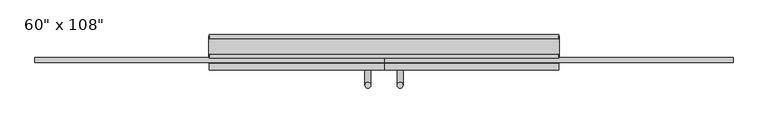
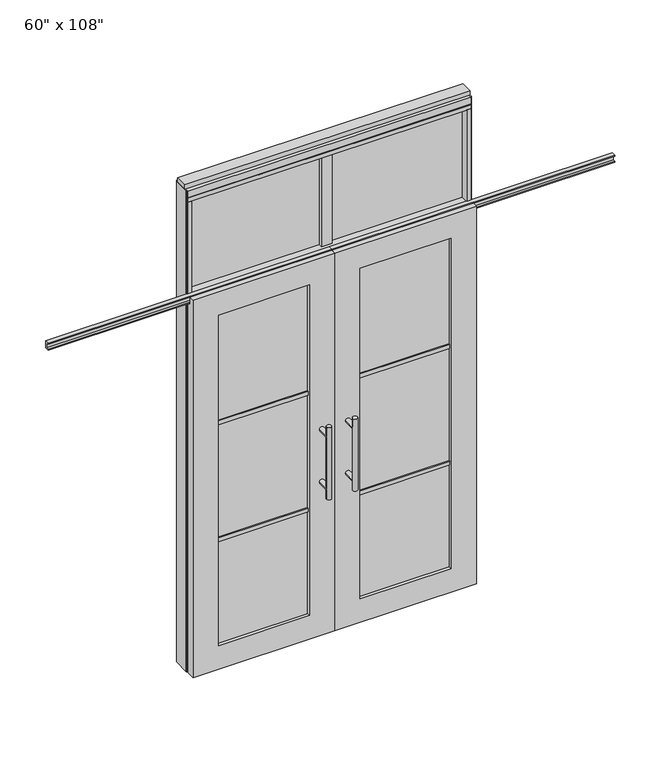
"""IFC4 building model written with IfcOpenShell, lengths in millimetres: furniture geometry."""

from ifc_helpers import new_model, si_unit, frame, origin, origin_with_axes, place, context, project, spatial, polyline, circle_curve, ellipse_curve, outline, extrude, faceted_brep, source, transform, mapped, element, save
from ifc_brep_helpers import plane_surface, cylinder_surface, advanced_brep


def furniture_9c21ee4a(model_context):
    return source(origin(), model_context, "Body", "SolidModel", [
        advanced_brep(
        [(-117.3135229, 5.8962784, 1219.2), (-142.7135229, 5.8962784, 1219.2), (-117.3135229, 5.8962784, 812.8), (-142.7135229, 5.8962784, 812.8), (-117.3135229, 5.8962784, 1164.336), (-117.3135229, 5.8962784, 867.664), (-142.7135229, 5.8962784, 867.664), (-142.7135229, 5.8962784, 1164.336), (-117.3135229, -61.6677216, 1164.336), (-142.7135229, -61.6677216, 1164.336), (-117.3135229, -61.6677216, 867.664), (-142.7135229, -61.6677216, 867.664)],
        [
            (0, 1, circle_curve(frame((-130.0135229, 5.8962784, 1219.2), z_axis=(0.0, 0.0, 1.0), x_axis=(-1.0, 0.0, 0.0)), 12.7)),
            (1, 0, circle_curve(frame((-130.0135229, 5.8962784, 1219.2), z_axis=(0.0, 0.0, 1.0), x_axis=(-1.0, 0.0, 0.0)), 12.7)),
            (2, 3, circle_curve(frame((-130.0135229, 5.8962784, 812.8), z_axis=(0.0, 0.0, -1.0), x_axis=(-1.0, 0.0, 0.0)), 12.7)),
            (3, 2, circle_curve(frame((-130.0135229, 5.8962784, 812.8), z_axis=(0.0, 0.0, -1.0), x_axis=(-1.0, 0.0, 0.0)), 12.7)),
            (0, 4),
            (4, 5),
            (5, 2),
            (3, 6),
            (6, 7),
            (7, 1),
            (7, 4, ellipse_curve(frame((-130.0135229, 5.8962784, 1164.336), z_axis=(0.0, 0.707106781186565, 0.70710678118653), x_axis=(0.0, -0.70710678118653, 0.707106781186565)), 17.9605122, 12.7)),
            (5, 6, ellipse_curve(frame((-130.0135229, 5.8962784, 867.664), z_axis=(0.0, 0.70710678118653, -0.7071067811865649), x_axis=(0.0, 0.7071067811865648, 0.7071067811865301)), 17.9605122, 12.7)),
            (4, 7, ellipse_curve(frame((-130.0135229, 5.8962784, 1164.336), z_axis=(0.0, 0.70710678118653, -0.7071067811865649), x_axis=(0.0, 0.7071067811865648, 0.7071067811865301)), 17.9605122, 12.7)),
            (6, 5, ellipse_curve(frame((-130.0135229, 5.8962784, 867.664), z_axis=(0.0, 0.707106781186565, 0.70710678118653), x_axis=(0.0, -0.70710678118653, 0.707106781186565)), 17.9605122, 12.7)),
            (8, 9, circle_curve(frame((-130.0135229, -61.6677216, 1164.336), z_axis=(0.0, -1.0, 0.0), x_axis=(-1.0, 0.0, 0.0)), 12.7)),
            (9, 8, circle_curve(frame((-130.0135229, -61.6677216, 1164.336), z_axis=(0.0, -1.0, 0.0), x_axis=(-1.0, 0.0, 0.0)), 12.7)),
            (9, 7),
            (4, 8),
            (10, 11, circle_curve(frame((-130.0135229, -61.6677216, 867.664), z_axis=(0.0, -1.0, 0.0), x_axis=(-1.0, 0.0, 0.0)), 12.7)),
            (11, 10, circle_curve(frame((-130.0135229, -61.6677216, 867.664), z_axis=(0.0, -1.0, 0.0), x_axis=(-1.0, 0.0, 0.0)), 12.7)),
            (11, 6),
            (5, 10),
        ],
        [
            plane_surface(frame((-142.7135229, 5.8962784, 1219.2), z_axis=(0.0, 0.0, 1.0), x_axis=(0.0, -1.0, 0.0))),
            plane_surface(frame((-142.7135229, 5.8962784, 812.8), z_axis=(0.0, 0.0, -1.0), x_axis=(0.0, 1.0, 0.0))),
            cylinder_surface(frame((-130.0135229, 5.8962784, 812.8), z_axis=(0.0, 0.0, 1.0), x_axis=(-1.0, 0.0, 0.0)), 12.7),
            plane_surface(frame((-142.7135229, -61.6677216, 1164.336), z_axis=(0.0, -1.0, 0.0), x_axis=(0.0, 0.0, -1.0))),
            cylinder_surface(frame((-130.0135229, -61.6677216, 1164.336), z_axis=(0.0, 1.0, 0.0), x_axis=(-1.0, 0.0, 0.0)), 12.7),
            plane_surface(frame((-142.7135229, -61.6677216, 867.664), z_axis=(0.0, -1.0, 0.0), x_axis=(0.0, 0.0, -1.0))),
            cylinder_surface(frame((-130.0135229, -61.6677216, 867.664), z_axis=(0.0, 1.0, 0.0), x_axis=(-1.0, 0.0, 0.0)), 12.7),
        ],
        [
            (0, [[1, 2]]),
            (1, [[3, 4]]),
            (2, [[-1, 5, 6, 7, -4, 8, 9, 10]]),
            (2, [[-2, -10, 11, -5]]),
            (2, [[-3, -7, 12, -8]]),
            (2, [[13, -9, 14, -6]]),
            (3, [[15, 16]]),
            (4, [[-16, 17, -13, 18]]),
            (4, [[-15, -18, -11, -17]]),
            (5, [[19, 20]]),
            (6, [[-20, 21, -12, 22]]),
            (6, [[-19, -22, -14, -21]]),
        ],
    ),
        advanced_brep(
        [(-117.3135229, -173.6817216, 1219.2), (-142.7135229, -173.6817216, 1219.2), (-117.3135229, -173.6817216, 812.8), (-142.7135229, -173.6817216, 812.8), (-142.7135229, -173.6817216, 1164.336), (-142.7135229, -173.6817216, 867.664), (-117.3135229, -173.6817216, 867.664), (-117.3135229, -173.6817216, 1164.336), (-117.3135229, -106.1177216, 1164.336), (-142.7135229, -106.1177216, 1164.336), (-117.3135229, -106.1177216, 867.664), (-142.7135229, -106.1177216, 867.664)],
        [
            (0, 1, circle_curve(frame((-130.0135229, -173.6817216, 1219.2), z_axis=(0.0, 0.0, 1.0), x_axis=(-1.0, 0.0, 0.0)), 12.7)),
            (1, 0, circle_curve(frame((-130.0135229, -173.6817216, 1219.2), z_axis=(0.0, 0.0, 1.0), x_axis=(-1.0, 0.0, 0.0)), 12.7)),
            (2, 3, circle_curve(frame((-130.0135229, -173.6817216, 812.8), z_axis=(0.0, 0.0, -1.0), x_axis=(-1.0, 0.0, 0.0)), 12.7)),
            (3, 2, circle_curve(frame((-130.0135229, -173.6817216, 812.8), z_axis=(0.0, 0.0, -1.0), x_axis=(-1.0, 0.0, 0.0)), 12.7)),
            (1, 4),
            (4, 5),
            (5, 3),
            (2, 6),
            (6, 7),
            (7, 0),
            (6, 5, ellipse_curve(frame((-130.0135229, -173.6817216, 867.664), z_axis=(0.0, -0.707106781186565, 0.70710678118653), x_axis=(0.0, 0.70710678118653, 0.707106781186565)), 17.9605122, 12.7)),
            (4, 7, ellipse_curve(frame((-130.0135229, -173.6817216, 1164.336), z_axis=(0.0, -0.70710678118653, -0.7071067811865649), x_axis=(0.0, -0.7071067811865648, 0.7071067811865301)), 17.9605122, 12.7)),
            (7, 4, ellipse_curve(frame((-130.0135229, -173.6817216, 1164.336), z_axis=(0.0, -0.707106781186565, 0.70710678118653), x_axis=(0.0, 0.70710678118653, 0.707106781186565)), 17.9605122, 12.7)),
            (5, 6, ellipse_curve(frame((-130.0135229, -173.6817216, 867.664), z_axis=(0.0, -0.70710678118653, -0.7071067811865649), x_axis=(0.0, -0.7071067811865648, 0.7071067811865301)), 17.9605122, 12.7)),
            (8, 9, circle_curve(frame((-130.0135229, -106.1177216, 1164.336), z_axis=(0.0, 1.0, 0.0), x_axis=(-1.0, 0.0, 0.0)), 12.7)),
            (9, 8, circle_curve(frame((-130.0135229, -106.1177216, 1164.336), z_axis=(0.0, 1.0, 0.0), x_axis=(-1.0, 0.0, 0.0)), 12.7)),
            (8, 7),
            (4, 9),
            (10, 11, circle_curve(frame((-130.0135229, -106.1177216, 867.664), z_axis=(0.0, 1.0, 0.0), x_axis=(-1.0, 0.0, 0.0)), 12.7)),
            (11, 10, circle_curve(frame((-130.0135229, -106.1177216, 867.664), z_axis=(0.0, 1.0, 0.0), x_axis=(-1.0, 0.0, 0.0)), 12.7)),
            (10, 6),
            (5, 11),
        ],
        [
            plane_surface(frame((-142.7135229, -173.6817216, 1219.2), z_axis=(0.0, 0.0, 1.0), x_axis=(0.0, 1.0, 0.0))),
            plane_surface(frame((-142.7135229, -173.6817216, 812.8), z_axis=(0.0, 0.0, -1.0), x_axis=(0.0, -1.0, 0.0))),
            cylinder_surface(frame((-130.0135229, -173.6817216, 812.8), z_axis=(0.0, 0.0, 1.0), x_axis=(-1.0, 0.0, 0.0)), 12.7),
            plane_surface(frame((-142.7135229, -106.1177216, 1164.336), z_axis=(0.0, 1.0, 0.0), x_axis=(0.0, 0.0, -1.0))),
            cylinder_surface(frame((-130.0135229, -106.1177216, 1164.336), z_axis=(0.0, -1.0, 0.0), x_axis=(-1.0, 0.0, 0.0)), 12.7),
            plane_surface(frame((-142.7135229, -106.1177216, 867.664), z_axis=(0.0, 1.0, 0.0), x_axis=(0.0, 0.0, -1.0))),
            cylinder_surface(frame((-130.0135229, -106.1177216, 867.664), z_axis=(0.0, -1.0, 0.0), x_axis=(-1.0, 0.0, 0.0)), 12.7),
        ],
        [
            (0, [[1, 2]]),
            (1, [[3, 4]]),
            (2, [[5, 6, 7, -3, 8, 9, 10, -2]]),
            (2, [[-9, 11, -6, 12]]),
            (2, [[-10, 13, -5, -1]]),
            (2, [[-7, 14, -8, -4]]),
            (3, [[15, 16]]),
            (4, [[17, -12, 18, -15]]),
            (4, [[-18, -13, -17, -16]]),
            (5, [[19, 20]]),
            (6, [[21, -14, 22, -19]]),
            (6, [[-22, -11, -21, -20]]),
        ],
    ),
        extrude(outline(polyline([(-196.0535229, -95.0052216), (-682.0825229, -95.0052216), (-682.0825229, -72.7802216), (-196.0535229, -72.7802216), (-196.0535229, -95.0052216)])), frame((0.0, 0.0, 1371.6), z_axis=(0.0, 0.0, 1.0), x_axis=(1.0, 0.0, 0.0)), (0.0, 0.0, 1.0), 22.225),
        extrude(outline(polyline([(-196.0535229, -95.0052216), (-682.0825229, -95.0052216), (-682.0825229, -72.7802216), (-196.0535229, -72.7802216), (-196.0535229, -95.0052216)])), frame((0.0, 0.0, 711.2), z_axis=(0.0, 0.0, 1.0), x_axis=(1.0, 0.0, 0.0)), (0.0, 0.0, 1.0), 22.225),
        extrude(outline(polyline([(-682.0825229, -88.9727216), (-682.0825229, -78.8127216), (-196.0535229, -78.8127216), (-196.0535229, -88.9727216), (-682.0825229, -88.9727216)])), frame((0.0, 0.0, 132.969), z_axis=(0.0, 0.0, 1.0), x_axis=(1.0, 0.0, 0.0)), (0.0, 0.0, 1.0), 1867.662),
        extrude(outline(polyline([(-75.3837216, 2097.278), (-75.3837216, 2102.612), (-62.6837216, 2102.612), (-62.6837216, 2131.568), (-75.3837216, 2131.568), (-75.3837216, 2136.902), (-53.6667216, 2136.902), (-53.6667216, 2097.278), (-75.3837216, 2097.278)])), frame((-1576.1625229, 0.0, 0.0), z_axis=(1.0, 0.0, 0.0), x_axis=(0.0, 1.0, 0.0)), (0.0, 0.0, 1.0), 1516.126),
        faceted_brep([(-60.0365229, -106.1177216, 0.0), (-60.0365229, -106.1177216, 2133.6), (-818.0995229, -106.1177216, 2133.6), (-818.0995229, -106.1177216, 0.0), (-682.0825229, -106.1177216, 2000.631), (-196.0535229, -106.1177216, 2000.631), (-196.0535229, -106.1177216, 132.969), (-682.0825229, -106.1177216, 132.969), (-60.0365229, -78.6857216, 2133.6), (-60.0365229, -78.6857216, 2089.023), (-818.0995229, -78.6857216, 2089.023), (-818.0995229, -78.6857216, 2133.6), (-60.0365229, -61.6677216, 0.0), (-60.0365229, -61.6677216, 2089.023), (-818.0995229, -61.6677216, 2089.023), (-818.0995229, -61.6677216, 0.0), (-682.0825229, -61.6677216, 2000.631), (-682.0825229, -61.6677216, 132.969), (-196.0535229, -61.6677216, 132.969), (-196.0535229, -61.6677216, 2000.631)], [[[0, 1, 2, 3], [4, 5, 6, 7]], [[8, 9, 10, 11]], [[0, 12, 13, 9, 8, 1]], [[2, 11, 10, 14, 15, 3]], [[1, 8, 11, 2]], [[14, 13, 12, 15], [16, 17, 18, 19]], [[14, 10, 9, 13]], [[3, 15, 12, 0]], [[7, 17, 16, 4]], [[6, 18, 17, 7]], [[5, 19, 18, 6]], [[4, 16, 19, 5]]]),
        extrude(outline(polyline([(-31.4615229, -33.0927216), (-88.6115229, -33.0927216), (-88.6115229, 24.0572784), (-31.4615229, 24.0572784), (-31.4615229, -33.0927216)])), frame((0.0, 0.0, 2133.6), z_axis=(0.0, 0.0, 1.0), x_axis=(1.0, 0.0, 0.0)), (0.0, 0.0, 1.0), 520.7),
        extrude(outline(polyline([(675.8014771, -10.8677216), (-795.8745229, -10.8677216), (-795.8745229, 1.8322784), (675.8014771, 1.8322784), (675.8014771, -10.8677216)])), frame((0.0, 0.0, 2133.6), z_axis=(0.0, 0.0, 1.0), x_axis=(1.0, 0.0, 0.0)), (0.0, 0.0, 1.0), 520.7),
        advanced_brep(
        [(-2.7595229, 5.8962784, 1219.2), (22.6404771, 5.8962784, 1219.2), (-2.7595229, 5.8962784, 812.8), (22.6404771, 5.8962784, 812.8), (22.6404771, 5.8962784, 1164.336), (22.6404771, 5.8962784, 867.664), (-2.7595229, 5.8962784, 867.664), (-2.7595229, 5.8962784, 1164.336), (-2.7595229, -61.6677216, 1164.336), (22.6404771, -61.6677216, 1164.336), (-2.7595229, -61.6677216, 867.664), (22.6404771, -61.6677216, 867.664)],
        [
            (0, 1, circle_curve(frame((9.9404771, 5.8962784, 1219.2), z_axis=(0.0, 0.0, 1.0), x_axis=(1.0, 0.0, 0.0)), 12.7)),
            (1, 0, circle_curve(frame((9.9404771, 5.8962784, 1219.2), z_axis=(0.0, 0.0, 1.0), x_axis=(1.0, 0.0, 0.0)), 12.7)),
            (2, 3, circle_curve(frame((9.9404771, 5.8962784, 812.8), z_axis=(0.0, 0.0, -1.0), x_axis=(1.0, 0.0, 0.0)), 12.7)),
            (3, 2, circle_curve(frame((9.9404771, 5.8962784, 812.8), z_axis=(0.0, 0.0, -1.0), x_axis=(1.0, 0.0, 0.0)), 12.7)),
            (1, 4),
            (4, 5),
            (5, 3),
            (2, 6),
            (6, 7),
            (7, 0),
            (6, 5, ellipse_curve(frame((9.9404771, 5.8962784, 867.664), z_axis=(0.0, 0.707106781186565, 0.70710678118653), x_axis=(0.0, -0.70710678118653, 0.707106781186565)), 17.9605122, 12.7)),
            (4, 7, ellipse_curve(frame((9.9404771, 5.8962784, 1164.336), z_axis=(0.0, 0.70710678118653, -0.7071067811865649), x_axis=(0.0, 0.7071067811865648, 0.7071067811865301)), 17.9605122, 12.7)),
            (7, 4, ellipse_curve(frame((9.9404771, 5.8962784, 1164.336), z_axis=(0.0, 0.707106781186565, 0.70710678118653), x_axis=(0.0, -0.70710678118653, 0.707106781186565)), 17.9605122, 12.7)),
            (5, 6, ellipse_curve(frame((9.9404771, 5.8962784, 867.664), z_axis=(0.0, 0.70710678118653, -0.7071067811865649), x_axis=(0.0, 0.7071067811865648, 0.7071067811865301)), 17.9605122, 12.7)),
            (8, 9, circle_curve(frame((9.9404771, -61.6677216, 1164.336), z_axis=(0.0, -1.0, 0.0), x_axis=(1.0, 0.0, 0.0)), 12.7)),
            (9, 8, circle_curve(frame((9.9404771, -61.6677216, 1164.336), z_axis=(0.0, -1.0, 0.0), x_axis=(1.0, 0.0, 0.0)), 12.7)),
            (8, 7),
            (4, 9),
            (10, 11, circle_curve(frame((9.9404771, -61.6677216, 867.664), z_axis=(0.0, -1.0, 0.0), x_axis=(1.0, 0.0, 0.0)), 12.7)),
            (11, 10, circle_curve(frame((9.9404771, -61.6677216, 867.664), z_axis=(0.0, -1.0, 0.0), x_axis=(1.0, 0.0, 0.0)), 12.7)),
            (10, 6),
            (5, 11),
        ],
        [
            plane_surface(frame((22.6404771, 5.8962784, 1219.2), z_axis=(0.0, 0.0, 1.0), x_axis=(0.0, -1.0, 0.0))),
            plane_surface(frame((22.6404771, 5.8962784, 812.8), z_axis=(0.0, 0.0, -1.0), x_axis=(0.0, 1.0, 0.0))),
            cylinder_surface(frame((9.9404771, 5.8962784, 812.8), z_axis=(0.0, 0.0, 1.0), x_axis=(1.0, 0.0, 0.0)), 12.7),
            plane_surface(frame((22.6404771, -61.6677216, 1164.336), z_axis=(0.0, -1.0, 0.0), x_axis=(0.0, 0.0, -1.0))),
            cylinder_surface(frame((9.9404771, -61.6677216, 1164.336), z_axis=(0.0, 1.0, 0.0), x_axis=(1.0, 0.0, 0.0)), 12.7),
            plane_surface(frame((22.6404771, -61.6677216, 867.664), z_axis=(0.0, -1.0, 0.0), x_axis=(0.0, 0.0, -1.0))),
            cylinder_surface(frame((9.9404771, -61.6677216, 867.664), z_axis=(0.0, 1.0, 0.0), x_axis=(1.0, 0.0, 0.0)), 12.7),
        ],
        [
            (0, [[1, 2]]),
            (1, [[3, 4]]),
            (2, [[5, 6, 7, -3, 8, 9, 10, -2]]),
            (2, [[-9, 11, -6, 12]]),
            (2, [[-10, 13, -5, -1]]),
            (2, [[-7, 14, -8, -4]]),
            (3, [[15, 16]]),
            (4, [[17, -12, 18, -15]]),
            (4, [[-18, -13, -17, -16]]),
            (5, [[19, 20]]),
            (6, [[21, -14, 22, -19]]),
            (6, [[-22, -11, -21, -20]]),
        ],
    ),
        advanced_brep(
        [(-2.7595229, -173.6817216, 1219.2), (22.6404771, -173.6817216, 1219.2), (-2.7595229, -173.6817216, 812.8), (22.6404771, -173.6817216, 812.8), (-2.7595229, -173.6817216, 1164.336), (-2.7595229, -173.6817216, 867.664), (22.6404771, -173.6817216, 867.664), (22.6404771, -173.6817216, 1164.336), (-2.7595229, -106.1177216, 1164.336), (22.6404771, -106.1177216, 1164.336), (-2.7595229, -106.1177216, 867.664), (22.6404771, -106.1177216, 867.664)],
        [
            (0, 1, circle_curve(frame((9.9404771, -173.6817216, 1219.2), z_axis=(0.0, 0.0, 1.0), x_axis=(1.0, 0.0, 0.0)), 12.7)),
            (1, 0, circle_curve(frame((9.9404771, -173.6817216, 1219.2), z_axis=(0.0, 0.0, 1.0), x_axis=(1.0, 0.0, 0.0)), 12.7)),
            (2, 3, circle_curve(frame((9.9404771, -173.6817216, 812.8), z_axis=(0.0, 0.0, -1.0), x_axis=(1.0, 0.0, 0.0)), 12.7)),
            (3, 2, circle_curve(frame((9.9404771, -173.6817216, 812.8), z_axis=(0.0, 0.0, -1.0), x_axis=(1.0, 0.0, 0.0)), 12.7)),
            (0, 4),
            (4, 5),
            (5, 2),
            (3, 6),
            (6, 7),
            (7, 1),
            (7, 4, ellipse_curve(frame((9.9404771, -173.6817216, 1164.336), z_axis=(0.0, -0.707106781186565, 0.70710678118653), x_axis=(0.0, 0.70710678118653, 0.707106781186565)), 17.9605122, 12.7)),
            (5, 6, ellipse_curve(frame((9.9404771, -173.6817216, 867.664), z_axis=(0.0, -0.70710678118653, -0.7071067811865649), x_axis=(0.0, -0.7071067811865648, 0.7071067811865301)), 17.9605122, 12.7)),
            (4, 7, ellipse_curve(frame((9.9404771, -173.6817216, 1164.336), z_axis=(0.0, -0.70710678118653, -0.7071067811865649), x_axis=(0.0, -0.7071067811865648, 0.7071067811865301)), 17.9605122, 12.7)),
            (6, 5, ellipse_curve(frame((9.9404771, -173.6817216, 867.664), z_axis=(0.0, -0.707106781186565, 0.70710678118653), x_axis=(0.0, 0.70710678118653, 0.707106781186565)), 17.9605122, 12.7)),
            (8, 9, circle_curve(frame((9.9404771, -106.1177216, 1164.336), z_axis=(0.0, 1.0, 0.0), x_axis=(1.0, 0.0, 0.0)), 12.7)),
            (9, 8, circle_curve(frame((9.9404771, -106.1177216, 1164.336), z_axis=(0.0, 1.0, 0.0), x_axis=(1.0, 0.0, 0.0)), 12.7)),
            (9, 7),
            (4, 8),
            (10, 11, circle_curve(frame((9.9404771, -106.1177216, 867.664), z_axis=(0.0, 1.0, 0.0), x_axis=(1.0, 0.0, 0.0)), 12.7)),
            (11, 10, circle_curve(frame((9.9404771, -106.1177216, 867.664), z_axis=(0.0, 1.0, 0.0), x_axis=(1.0, 0.0, 0.0)), 12.7)),
            (11, 6),
            (5, 10),
        ],
        [
            plane_surface(frame((22.6404771, -173.6817216, 1219.2), z_axis=(0.0, 0.0, 1.0), x_axis=(0.0, 1.0, 0.0))),
            plane_surface(frame((22.6404771, -173.6817216, 812.8), z_axis=(0.0, 0.0, -1.0), x_axis=(0.0, -1.0, 0.0))),
            cylinder_surface(frame((9.9404771, -173.6817216, 812.8), z_axis=(0.0, 0.0, 1.0), x_axis=(1.0, 0.0, 0.0)), 12.7),
            plane_surface(frame((22.6404771, -106.1177216, 1164.336), z_axis=(0.0, 1.0, 0.0), x_axis=(0.0, 0.0, -1.0))),
            cylinder_surface(frame((9.9404771, -106.1177216, 1164.336), z_axis=(0.0, -1.0, 0.0), x_axis=(1.0, 0.0, 0.0)), 12.7),
            plane_surface(frame((22.6404771, -106.1177216, 867.664), z_axis=(0.0, 1.0, 0.0), x_axis=(0.0, 0.0, -1.0))),
            cylinder_surface(frame((9.9404771, -106.1177216, 867.664), z_axis=(0.0, -1.0, 0.0), x_axis=(1.0, 0.0, 0.0)), 12.7),
        ],
        [
            (0, [[1, 2]]),
            (1, [[3, 4]]),
            (2, [[-1, 5, 6, 7, -4, 8, 9, 10]]),
            (2, [[-2, -10, 11, -5]]),
            (2, [[-3, -7, 12, -8]]),
            (2, [[13, -9, 14, -6]]),
            (3, [[15, 16]]),
            (4, [[-16, 17, -13, 18]]),
            (4, [[-15, -18, -11, -17]]),
            (5, [[19, 20]]),
            (6, [[-20, 21, -12, 22]]),
            (6, [[-19, -22, -14, -21]]),
        ],
    ),
        extrude(outline(polyline([(75.9804771, -95.0052216), (75.9804771, -72.7802216), (562.0094771, -72.7802216), (562.0094771, -95.0052216), (75.9804771, -95.0052216)])), frame((0.0, 0.0, 1371.6), z_axis=(0.0, 0.0, 1.0), x_axis=(1.0, 0.0, 0.0)), (0.0, 0.0, 1.0), 22.225),
        extrude(outline(polyline([(75.9804771, -95.0052216), (75.9804771, -72.7802216), (562.0094771, -72.7802216), (562.0094771, -95.0052216), (75.9804771, -95.0052216)])), frame((0.0, 0.0, 711.2), z_axis=(0.0, 0.0, 1.0), x_axis=(1.0, 0.0, 0.0)), (0.0, 0.0, 1.0), 22.225),
        extrude(outline(polyline([(562.0094771, -88.9727216), (75.9804771, -88.9727216), (75.9804771, -78.8127216), (562.0094771, -78.8127216), (562.0094771, -88.9727216)])), frame((0.0, 0.0, 132.969), z_axis=(0.0, 0.0, 1.0), x_axis=(1.0, 0.0, 0.0)), (0.0, 0.0, 1.0), 1867.662),
        extrude(outline(polyline([(-75.3837216, 2097.278), (-75.3837216, 2102.612), (-62.6837216, 2102.612), (-62.6837216, 2131.568), (-75.3837216, 2131.568), (-75.3837216, 2136.902), (-53.6667216, 2136.902), (-53.6667216, 2097.278), (-75.3837216, 2097.278)])), frame((-60.0365229, 0.0, 0.0), z_axis=(1.0, 0.0, 0.0), x_axis=(0.0, 1.0, 0.0)), (0.0, 0.0, 1.0), 1516.126),
        faceted_brep([(-60.0365229, -106.1177216, 0.0), (698.0264771, -106.1177216, 0.0), (698.0264771, -106.1177216, 2133.6), (-60.0365229, -106.1177216, 2133.6), (562.0094771, -106.1177216, 2000.631), (562.0094771, -106.1177216, 132.969), (75.9804771, -106.1177216, 132.969), (75.9804771, -106.1177216, 2000.631), (-60.0365229, -78.6857216, 2133.6), (698.0264771, -78.6857216, 2133.6), (698.0264771, -78.6857216, 2089.023), (-60.0365229, -78.6857216, 2089.023), (-60.0365229, -61.6677216, 2089.023), (-60.0365229, -61.6677216, 0.0), (698.0264771, -61.6677216, 0.0), (698.0264771, -61.6677216, 2089.023), (562.0094771, -61.6677216, 2000.631), (75.9804771, -61.6677216, 2000.631), (75.9804771, -61.6677216, 132.969), (562.0094771, -61.6677216, 132.969)], [[[0, 1, 2, 3], [4, 5, 6, 7]], [[8, 9, 10, 11]], [[0, 3, 8, 11, 12, 13]], [[2, 1, 14, 15, 10, 9]], [[3, 2, 9, 8]], [[15, 14, 13, 12], [16, 17, 18, 19]], [[15, 12, 11, 10]], [[1, 0, 13, 14]], [[5, 4, 16, 19]], [[6, 5, 19, 18]], [[7, 6, 18, 17]], [[4, 7, 17, 16]]]),
        extrude(outline(polyline([(-795.8745229, -55.3177216), (-818.0995229, -55.3177216), (-818.0995229, 46.2822784), (-795.8745229, 46.2822784), (-795.8745229, -55.3177216)])), frame((0.0, 0.0, 2133.6), z_axis=(0.0, 0.0, 1.0), x_axis=(1.0, 0.0, 0.0)), (0.0, 0.0, 1.0), 520.7),
        extrude(outline(polyline([(675.8014771, -55.3177216), (675.8014771, 46.2822784), (698.0264771, 46.2822784), (698.0264771, -55.3177216), (675.8014771, -55.3177216)])), frame((0.0, 0.0, 2133.6), z_axis=(0.0, 0.0, 1.0), x_axis=(1.0, 0.0, 0.0)), (0.0, 0.0, 1.0), 520.7),
        extrude(outline(polyline([(-818.0995229, -55.3177216), (-818.0995229, 46.2822784), (698.0264771, 46.2822784), (698.0264771, -55.3177216), (-818.0995229, -55.3177216)])), frame((0.0, 0.0, 2070.1), z_axis=(0.0, 0.0, 1.0), x_axis=(1.0, 0.0, 0.0)), (0.0, 0.0, 1.0), 22.225),
        extrude(outline(polyline([(-55.3177216, 2097.278), (-55.3177216, 2133.6), (46.2822784, 2133.6), (46.2822784, 2097.278), (41.3292784, 2097.278), (41.3292784, 2092.325), (-50.3647216, 2092.325), (-50.3647216, 2097.278), (-55.3177216, 2097.278)])), frame((-818.0995229, 0.0, 0.0), z_axis=(1.0, 0.0, 0.0), x_axis=(0.0, 1.0, 0.0)), (0.0, 0.0, 1.0), 1516.126),
        extrude(outline(polyline([(-818.0995229, -55.3177216), (-818.0995229, 46.2822784), (698.0264771, 46.2822784), (698.0264771, -55.3177216), (-818.0995229, -55.3177216)])), frame((0.0, 0.0, 2654.3), z_axis=(0.0, 0.0, 1.0), x_axis=(1.0, 0.0, 0.0)), (0.0, 0.0, 1.0), 22.225),
        extrude(outline(polyline([(701.9634771, -50.3647216), (698.0264771, -50.3647216), (698.0264771, 41.3292784), (701.9634771, 41.3292784), (701.9634771, -50.3647216)])), origin_with_axes(), (0.0, 0.0, 1.0), 2717.8),
        extrude(outline(polyline([(-822.0365229, -50.3647216), (-822.0365229, 41.3292784), (-818.0995229, 41.3292784), (-818.0995229, -50.3647216), (-822.0365229, -50.3647216)])), origin_with_axes(), (0.0, 0.0, 1.0), 2717.8),
        extrude(outline(polyline([(675.8014771, -55.3177216), (675.8014771, 46.2822784), (698.0264771, 46.2822784), (698.0264771, -55.3177216), (675.8014771, -55.3177216)])), origin_with_axes(), (0.0, 0.0, 1.0), 2070.1),
        extrude(outline(polyline([(-795.8745229, -55.3177216), (-818.0995229, -55.3177216), (-818.0995229, 46.2822784), (-795.8745229, 46.2822784), (-795.8745229, -55.3177216)])), origin_with_axes(), (0.0, 0.0, 1.0), 2070.1),
        extrude(outline(polyline([(-55.3177216, 2681.478), (-55.3177216, 2717.8), (46.2822784, 2717.8), (46.2822784, 2681.478), (41.3292784, 2681.478), (41.3292784, 2676.525), (-50.3647216, 2676.525), (-50.3647216, 2681.478), (-55.3177216, 2681.478)])), frame((-818.0995229, 0.0, 0.0), z_axis=(1.0, 0.0, 0.0), x_axis=(0.0, 1.0, 0.0)), (0.0, 0.0, 1.0), 1516.126),
        extrude(outline(polyline([(-822.0365229, -37.0297216), (-822.0365229, 27.9942784), (701.9634771, 27.9942784), (701.9634771, -37.0297216), (-822.0365229, -37.0297216)])), frame((0.0, 0.0, 2717.8), z_axis=(0.0, 0.0, 1.0), x_axis=(1.0, 0.0, 0.0)), (0.0, 0.0, 1.0), 25.4),
    ])


if __name__ == "__main__":
    model = new_model("IFC4")
    model_context = context("Model", 3, world=origin())
    ifc_project = project(units=[si_unit("LENGTHUNIT", "METRE", prefix="MILLI")], contexts=[model_context])
    site = spatial("IfcSite", under=ifc_project)
    building = spatial("IfcBuilding", under=site)
    placement = place(None, origin())
    furniture_shape = furniture_9c21ee4a(model_context)
    element("IfcFurniture", 1, ObjectType="60\" x 108\"", at=placement, inside=building, context=model_context, shape_type="MappedRepresentation", body=[
        mapped(furniture_shape, transform((0.0, 0.0, 0.0), x_axis=(1.0, 0.0, 0.0), y_axis=(0.0, 1.0, 0.0), z_axis=(0.0, 0.0, 1.0))),
    ])
    save(model, "model.ifc")
